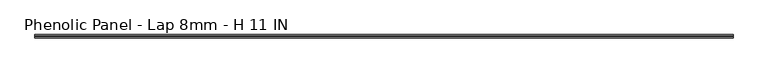
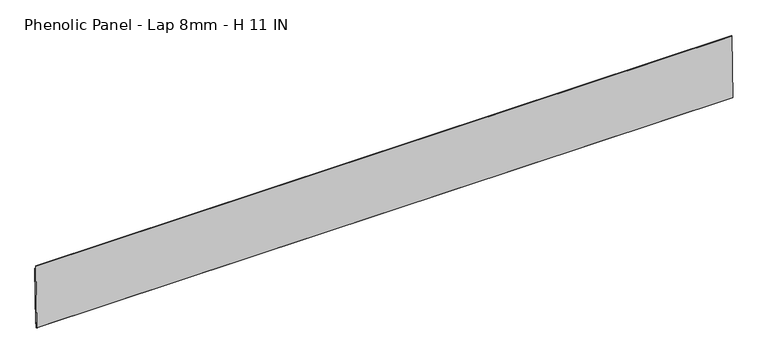
"""IFC4 building model written with IfcOpenShell, lengths in millimetres: proxy geometry, Phenolic Panel - Lap 8mm - H 11 IN."""

import ifcopenshell
import ifcopenshell.guid

model = None  # the IFC model being written
_history = None  # IfcOwnerHistory: only IFC2X3 demands one
_inside = {}  # id of a spatial element -> (the spatial element, [elements in it])
_under = {}  # id of a project, library or spatial element -> (it, [spatial elements below it])
_declared = {}  # id of a project -> (the project, [libraries it declares])
_typed = {}  # id of a type object -> (the type object, [elements of that type])
_made_of = {}  # id of a material, layer set ... -> (it, [elements and type objects made of it])


def new_model(schema):
    """Start an empty IFC model of exactly this schema.

    Asked for "IFC4X3", IfcOpenShell would pick the latest addendum, in which some entities
    have other attributes; the version numbers below select the first issue.
    IFC2X3 requires an IfcOwnerHistory on every rooted entity: one is made here for all.
    """
    global model, _history
    if schema == "IFC4X3":
        model = ifcopenshell.file(schema_version=(4, 3, 0, 0))
    else:
        model = ifcopenshell.file(schema=schema)
    _inside.clear()
    _under.clear()
    _declared.clear()
    _typed.clear()
    _made_of.clear()
    _history = None
    if model.schema == "IFC2X3":
        org = make("IfcOrganization", Name="unknown")
        user = make(
            "IfcPersonAndOrganization",
            ThePerson=make("IfcPerson", FamilyName="unknown"),
            TheOrganization=org,
        )
        app = make(
            "IfcApplication",
            ApplicationDeveloper=org,
            Version="unknown",
            ApplicationFullName="unknown",
            ApplicationIdentifier="unknown",
        )
        _history = make(
            "IfcOwnerHistory",
            OwningUser=user,
            OwningApplication=app,
            ChangeAction="ADDED",
            CreationDate=0,
        )
    return model


def make(cls, **values):
    """One entity of the class cls with the attributes given. An attribute that is None is left unset."""
    return model.create_entity(
        cls, **{name: value for name, value in values.items() if value is not None}
    )


def rooted(cls, **values):
    """An entity with a GlobalId (a new one), such as an element, a storey or a relation."""
    return make(cls, GlobalId=ifcopenshell.guid.new(), OwnerHistory=_history, **values)


def si_unit(unit_type, name, prefix=None):
    """IfcSIUnit, for example si_unit("LENGTHUNIT", "METRE", prefix="MILLI")."""
    return make("IfcSIUnit", UnitType=unit_type, Prefix=prefix, Name=name)


def assignment(units):
    """IfcUnitAssignment: the units of a project."""
    return None if units is None else make("IfcUnitAssignment", Units=units)


def point(xyz):
    """IfcCartesianPoint."""
    return None if xyz is None else make("IfcCartesianPoint", Coordinates=xyz)


def direction(xyz):
    """IfcDirection."""
    return None if xyz is None else make("IfcDirection", DirectionRatios=xyz)


def frame(location, z_axis=None, x_axis=None):
    """IfcAxis2Placement3D, a coordinate frame: its origin and axes. An axis left out is left unset."""
    return make(
        "IfcAxis2Placement3D",
        Location=point(location),
        Axis=direction(z_axis),
        RefDirection=direction(x_axis),
    )


def origin():
    """The frame at (0, 0, 0) with its axes left unset."""
    return frame((0.0, 0.0, 0.0))


def place(relative_to, where):
    """IfcLocalPlacement: puts the frame where relative to a parent placement (None: the world)."""
    return make(
        "IfcLocalPlacement", PlacementRelTo=relative_to, RelativePlacement=where
    )


def context(
    kind, dimensions, precision=None, world=None, true_north=None, identifier=None
):
    """IfcGeometricRepresentationContext, for example the 3D "Model" context."""
    return make(
        "IfcGeometricRepresentationContext",
        ContextIdentifier=identifier,
        ContextType=kind,
        CoordinateSpaceDimension=dimensions,
        Precision=precision,
        WorldCoordinateSystem=world,
        TrueNorth=true_north,
    )


def project(units=None, contexts=None):
    """IfcProject with its units and contexts."""
    return rooted(
        "IfcProject",
        Name="project",
        RepresentationContexts=contexts,
        UnitsInContext=assignment(units),
    )


def spatial(cls, under=None, at=None, **own):
    """A site, building, storey or space (cls), placed at a placement, below another one or the project."""
    s = rooted(cls, ObjectPlacement=at, **own)
    if under is not None:
        _under.setdefault(under.id(), (under, []))[1].append(s)
    return s


def polyline(points):
    """IfcPolyline through the points."""
    return make("IfcPolyline", Points=[point(p) for p in points])


def outline(outer, holes=None, kind="AREA"):
    """IfcArbitraryClosedProfileDef: a profile drawn as a closed curve; with holes, ...WithVoids."""
    if holes is None:
        return make("IfcArbitraryClosedProfileDef", ProfileType=kind, OuterCurve=outer)
    return make(
        "IfcArbitraryProfileDefWithVoids",
        ProfileType=kind,
        OuterCurve=outer,
        InnerCurves=holes,
    )


def extrude(swept, where, along, depth):
    """IfcExtrudedAreaSolid: the profile swept, set in the frame where, extruded along a direction by depth."""
    return make(
        "IfcExtrudedAreaSolid",
        SweptArea=swept,
        Position=where,
        ExtrudedDirection=direction(along),
        Depth=depth,
    )


def shape(context_of_items, identifier, shape_type, items):
    """IfcShapeRepresentation: the items that make up one representation, for example the "Body"."""
    return make(
        "IfcShapeRepresentation",
        ContextOfItems=context_of_items,
        RepresentationIdentifier=identifier,
        RepresentationType=shape_type,
        Items=items,
    )


def source(mapping_origin, context_of_items, identifier, shape_type, items):
    """IfcRepresentationMap: a shape defined once, which mapped items show again and again."""
    return make(
        "IfcRepresentationMap",
        MappingOrigin=mapping_origin,
        MappedRepresentation=shape(context_of_items, identifier, shape_type, items),
    )


def transform(
    local_origin,
    x_axis=None,
    y_axis=None,
    z_axis=None,
    scale=None,
    scale2=None,
    scale3=None,
    uniform=True,
):
    """IfcCartesianTransformationOperator3D, or its non-uniform kind. x_axis, y_axis, z_axis: its Axis1, 2, 3."""
    if uniform:
        return make(
            "IfcCartesianTransformationOperator3D",
            Axis1=direction(x_axis),
            Axis2=direction(y_axis),
            LocalOrigin=point(local_origin),
            Scale=scale,
            Axis3=direction(z_axis),
        )
    return make(
        "IfcCartesianTransformationOperator3DnonUniform",
        Axis1=direction(x_axis),
        Axis2=direction(y_axis),
        LocalOrigin=point(local_origin),
        Scale=scale,
        Axis3=direction(z_axis),
        Scale2=scale2,
        Scale3=scale3,
    )


def mapped(mapping_source, mapping_target):
    """IfcMappedItem: shows the shape of a source again, moved by a transform."""
    return make(
        "IfcMappedItem", MappingSource=mapping_source, MappingTarget=mapping_target
    )


def made_of(thing, what):
    """Note that an element or type object is made of a material, layer set ...; save() writes the relation."""
    if what is not None:
        _made_of.setdefault(what.id(), (what, []))[1].append(thing)
    return thing


def element(
    cls,
    number,
    at=None,
    inside=None,
    cuts=None,
    type_object=None,
    material=None,
    context=None,
    identifier="Body",
    shape_type=None,
    held_by="IfcProductDefinitionShape",
    body=None,
    shapes=None,
    **own,
):
    """One element of the class cls, such as IfcWall. Its Tag is "e" and its number.

    at: its placement. inside: the storey or other place that contains it. cuts: it is an
    opening in that element (IfcRelVoidsElement). A single representation is given by context,
    identifier, shape_type and body (its items); several are given by shapes. held_by: the class
    of the entity that holds the representations. save() writes the other relations.
    """
    e = rooted(cls, Tag="e%d" % number, ObjectPlacement=at, **own)
    if body is not None:
        shapes = [shape(context, identifier, shape_type, body)]
    if shapes is not None:
        e.Representation = make(held_by, Representations=shapes)
    if inside is not None:
        _inside.setdefault(inside.id(), (inside, []))[1].append(e)
    if cuts is not None:
        rooted(
            "IfcRelVoidsElement", RelatingBuildingElement=cuts, RelatedOpeningElement=e
        )
    if type_object is not None:
        _typed.setdefault(type_object.id(), (type_object, []))[1].append(e)
    return made_of(e, material)


def aggregate(whole, parts):
    """IfcRelAggregates: a whole, such as a stair, and the parts it consists of."""
    return rooted("IfcRelAggregates", RelatingObject=whole, RelatedObjects=parts)


def save(model, path):
    """Write the relations noted so far, then the file.

    IfcRelAggregates (storeys below a building ...), IfcRelContainedInSpatialStructure (elements
    in a storey), IfcRelDefinesByType, IfcRelAssociatesMaterial and IfcRelDeclares: one each for
    every whole, place, type object, material and project.
    """
    for whole, parts in _under.values():
        aggregate(whole, parts)
    for where, things in _inside.values():
        rooted(
            "IfcRelContainedInSpatialStructure",
            RelatedElements=things,
            RelatingStructure=where,
        )
    for kind, things in _typed.values():
        rooted("IfcRelDefinesByType", RelatedObjects=things, RelatingType=kind)
    for what, things in _made_of.values():
        rooted("IfcRelAssociatesMaterial", RelatedObjects=things, RelatingMaterial=what)
    for by, libraries in _declared.values():
        rooted("IfcRelDeclares", RelatingContext=by, RelatedDefinitions=libraries)
    model.write(path)


def phenolic_panel_lap_8mm_h_11_in_7eb364b9(model_context):
    return source(origin(), model_context, "Body", "SweptSolid", [
        extrude(outline(polyline([(3.8868555, 592.7068585), (-1.7189997, 341.8174791), (-4.0996555, 341.8706723), (-3.9223448, 349.8061916), (-6.5013885, 349.8638176), (-7.0333207, 326.0572596), (-9.0033605, 326.101278), (-9.9866673, 327.1295311), (-3.7165155, 607.7494279), (-2.6882625, 608.7327348), (-1.3070382, 608.7018728), (-1.6616596, 592.8308341), (3.8868555, 592.7068585)])), frame((-1825.625, 0.0, 0.0), z_axis=(1.0, 0.0, 0.0), x_axis=(0.0, 1.0, 0.0)), (0.0, 0.0, 1.0), 3044.825),
    ])


if __name__ == "__main__":
    model = new_model("IFC4")
    model_context = context("Model", 3, world=origin())
    ifc_project = project(units=[si_unit("LENGTHUNIT", "METRE", prefix="MILLI")], contexts=[model_context])
    site = spatial("IfcSite", under=ifc_project)
    building = spatial("IfcBuilding", under=site)
    placement = place(None, origin())
    phenolic_panel_lap_8mm_h_11_in_shape = phenolic_panel_lap_8mm_h_11_in_7eb364b9(model_context)
    element("IfcBuildingElementProxy", 1, Name="Phenolic Panel - Lap 8mm - H 11 IN", ObjectType="Phenolic Panel - Lap 8mm - H 11 IN", at=placement, inside=building, context=model_context, shape_type="MappedRepresentation", body=[
        mapped(phenolic_panel_lap_8mm_h_11_in_shape, transform((0.0, 0.0, 0.0), x_axis=(1.0, 0.0, 0.0), y_axis=(0.0, 1.0, 0.0), z_axis=(0.0, 0.0, 1.0))),
    ])
    save(model, "model.ifc")
